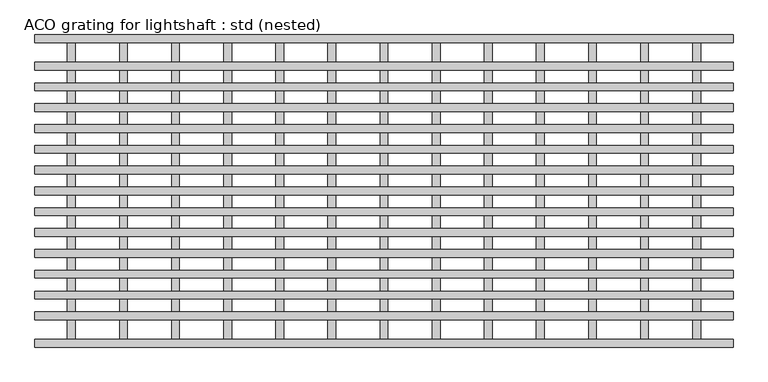
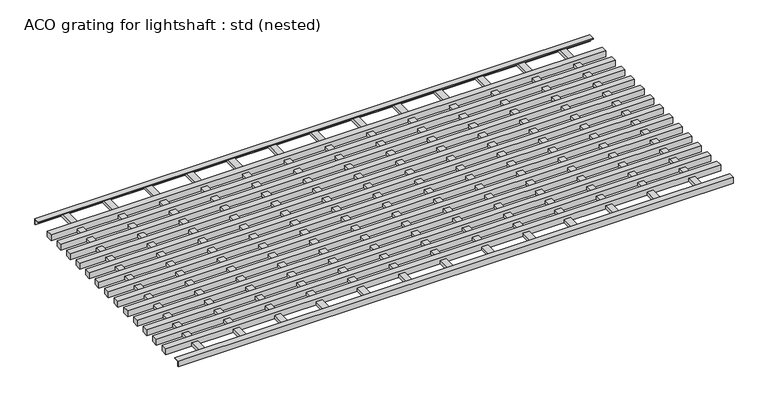
"""IFC4 building model written with IfcOpenShell, lengths in millimetres: sanitary terminal geometry, ACO grating for lightshaft : std (nested)."""

import ifcopenshell
import ifcopenshell.guid

model = None  # the IFC model being written
_history = None  # IfcOwnerHistory: only IFC2X3 demands one
_inside = {}  # id of a spatial element -> (the spatial element, [elements in it])
_under = {}  # id of a project, library or spatial element -> (it, [spatial elements below it])
_declared = {}  # id of a project -> (the project, [libraries it declares])
_typed = {}  # id of a type object -> (the type object, [elements of that type])
_made_of = {}  # id of a material, layer set ... -> (it, [elements and type objects made of it])


def new_model(schema):
    """Start an empty IFC model of exactly this schema.

    Asked for "IFC4X3", IfcOpenShell would pick the latest addendum, in which some entities
    have other attributes; the version numbers below select the first issue.
    IFC2X3 requires an IfcOwnerHistory on every rooted entity: one is made here for all.
    """
    global model, _history
    if schema == "IFC4X3":
        model = ifcopenshell.file(schema_version=(4, 3, 0, 0))
    else:
        model = ifcopenshell.file(schema=schema)
    _inside.clear()
    _under.clear()
    _declared.clear()
    _typed.clear()
    _made_of.clear()
    _history = None
    if model.schema == "IFC2X3":
        org = make("IfcOrganization", Name="unknown")
        user = make(
            "IfcPersonAndOrganization",
            ThePerson=make("IfcPerson", FamilyName="unknown"),
            TheOrganization=org,
        )
        app = make(
            "IfcApplication",
            ApplicationDeveloper=org,
            Version="unknown",
            ApplicationFullName="unknown",
            ApplicationIdentifier="unknown",
        )
        _history = make(
            "IfcOwnerHistory",
            OwningUser=user,
            OwningApplication=app,
            ChangeAction="ADDED",
            CreationDate=0,
        )
    return model


def make(cls, **values):
    """One entity of the class cls with the attributes given. An attribute that is None is left unset."""
    return model.create_entity(
        cls, **{name: value for name, value in values.items() if value is not None}
    )


def rooted(cls, **values):
    """An entity with a GlobalId (a new one), such as an element, a storey or a relation."""
    return make(cls, GlobalId=ifcopenshell.guid.new(), OwnerHistory=_history, **values)


def si_unit(unit_type, name, prefix=None):
    """IfcSIUnit, for example si_unit("LENGTHUNIT", "METRE", prefix="MILLI")."""
    return make("IfcSIUnit", UnitType=unit_type, Prefix=prefix, Name=name)


def assignment(units):
    """IfcUnitAssignment: the units of a project."""
    return None if units is None else make("IfcUnitAssignment", Units=units)


def point(xyz):
    """IfcCartesianPoint."""
    return None if xyz is None else make("IfcCartesianPoint", Coordinates=xyz)


def direction(xyz):
    """IfcDirection."""
    return None if xyz is None else make("IfcDirection", DirectionRatios=xyz)


def frame(location, z_axis=None, x_axis=None):
    """IfcAxis2Placement3D, a coordinate frame: its origin and axes. An axis left out is left unset."""
    return make(
        "IfcAxis2Placement3D",
        Location=point(location),
        Axis=direction(z_axis),
        RefDirection=direction(x_axis),
    )


def origin():
    """The frame at (0, 0, 0) with its axes left unset."""
    return frame((0.0, 0.0, 0.0))


def place(relative_to, where):
    """IfcLocalPlacement: puts the frame where relative to a parent placement (None: the world)."""
    return make(
        "IfcLocalPlacement", PlacementRelTo=relative_to, RelativePlacement=where
    )


def context(
    kind, dimensions, precision=None, world=None, true_north=None, identifier=None
):
    """IfcGeometricRepresentationContext, for example the 3D "Model" context."""
    return make(
        "IfcGeometricRepresentationContext",
        ContextIdentifier=identifier,
        ContextType=kind,
        CoordinateSpaceDimension=dimensions,
        Precision=precision,
        WorldCoordinateSystem=world,
        TrueNorth=true_north,
    )


def project(units=None, contexts=None):
    """IfcProject with its units and contexts."""
    return rooted(
        "IfcProject",
        Name="project",
        RepresentationContexts=contexts,
        UnitsInContext=assignment(units),
    )


def spatial(cls, under=None, at=None, **own):
    """A site, building, storey or space (cls), placed at a placement, below another one or the project."""
    s = rooted(cls, ObjectPlacement=at, **own)
    if under is not None:
        _under.setdefault(under.id(), (under, []))[1].append(s)
    return s


def polyline(points):
    """IfcPolyline through the points."""
    return make("IfcPolyline", Points=[point(p) for p in points])


def outline(outer, holes=None, kind="AREA"):
    """IfcArbitraryClosedProfileDef: a profile drawn as a closed curve; with holes, ...WithVoids."""
    if holes is None:
        return make("IfcArbitraryClosedProfileDef", ProfileType=kind, OuterCurve=outer)
    return make(
        "IfcArbitraryProfileDefWithVoids",
        ProfileType=kind,
        OuterCurve=outer,
        InnerCurves=holes,
    )


def extrude(swept, where, along, depth):
    """IfcExtrudedAreaSolid: the profile swept, set in the frame where, extruded along a direction by depth."""
    return make(
        "IfcExtrudedAreaSolid",
        SweptArea=swept,
        Position=where,
        ExtrudedDirection=direction(along),
        Depth=depth,
    )


def shape(context_of_items, identifier, shape_type, items):
    """IfcShapeRepresentation: the items that make up one representation, for example the "Body"."""
    return make(
        "IfcShapeRepresentation",
        ContextOfItems=context_of_items,
        RepresentationIdentifier=identifier,
        RepresentationType=shape_type,
        Items=items,
    )


def source(mapping_origin, context_of_items, identifier, shape_type, items):
    """IfcRepresentationMap: a shape defined once, which mapped items show again and again."""
    return make(
        "IfcRepresentationMap",
        MappingOrigin=mapping_origin,
        MappedRepresentation=shape(context_of_items, identifier, shape_type, items),
    )


def transform(
    local_origin,
    x_axis=None,
    y_axis=None,
    z_axis=None,
    scale=None,
    scale2=None,
    scale3=None,
    uniform=True,
):
    """IfcCartesianTransformationOperator3D, or its non-uniform kind. x_axis, y_axis, z_axis: its Axis1, 2, 3."""
    if uniform:
        return make(
            "IfcCartesianTransformationOperator3D",
            Axis1=direction(x_axis),
            Axis2=direction(y_axis),
            LocalOrigin=point(local_origin),
            Scale=scale,
            Axis3=direction(z_axis),
        )
    return make(
        "IfcCartesianTransformationOperator3DnonUniform",
        Axis1=direction(x_axis),
        Axis2=direction(y_axis),
        LocalOrigin=point(local_origin),
        Scale=scale,
        Axis3=direction(z_axis),
        Scale2=scale2,
        Scale3=scale3,
    )


def mapped(mapping_source, mapping_target):
    """IfcMappedItem: shows the shape of a source again, moved by a transform."""
    return make(
        "IfcMappedItem", MappingSource=mapping_source, MappingTarget=mapping_target
    )


def made_of(thing, what):
    """Note that an element or type object is made of a material, layer set ...; save() writes the relation."""
    if what is not None:
        _made_of.setdefault(what.id(), (what, []))[1].append(thing)
    return thing


def element(
    cls,
    number,
    at=None,
    inside=None,
    cuts=None,
    type_object=None,
    material=None,
    context=None,
    identifier="Body",
    shape_type=None,
    held_by="IfcProductDefinitionShape",
    body=None,
    shapes=None,
    **own,
):
    """One element of the class cls, such as IfcWall. Its Tag is "e" and its number.

    at: its placement. inside: the storey or other place that contains it. cuts: it is an
    opening in that element (IfcRelVoidsElement). A single representation is given by context,
    identifier, shape_type and body (its items); several are given by shapes. held_by: the class
    of the entity that holds the representations. save() writes the other relations.
    """
    e = rooted(cls, Tag="e%d" % number, ObjectPlacement=at, **own)
    if body is not None:
        shapes = [shape(context, identifier, shape_type, body)]
    if shapes is not None:
        e.Representation = make(held_by, Representations=shapes)
    if inside is not None:
        _inside.setdefault(inside.id(), (inside, []))[1].append(e)
    if cuts is not None:
        rooted(
            "IfcRelVoidsElement", RelatingBuildingElement=cuts, RelatedOpeningElement=e
        )
    if type_object is not None:
        _typed.setdefault(type_object.id(), (type_object, []))[1].append(e)
    return made_of(e, material)


def aggregate(whole, parts):
    """IfcRelAggregates: a whole, such as a stair, and the parts it consists of."""
    return rooted("IfcRelAggregates", RelatingObject=whole, RelatedObjects=parts)


def save(model, path):
    """Write the relations noted so far, then the file.

    IfcRelAggregates (storeys below a building ...), IfcRelContainedInSpatialStructure (elements
    in a storey), IfcRelDefinesByType, IfcRelAssociatesMaterial and IfcRelDeclares: one each for
    every whole, place, type object, material and project.
    """
    for whole, parts in _under.values():
        aggregate(whole, parts)
    for where, things in _inside.values():
        rooted(
            "IfcRelContainedInSpatialStructure",
            RelatedElements=things,
            RelatingStructure=where,
        )
    for kind, things in _typed.values():
        rooted("IfcRelDefinesByType", RelatedObjects=things, RelatingType=kind)
    for what, things in _made_of.values():
        rooted("IfcRelAssociatesMaterial", RelatedObjects=things, RelatingMaterial=what)
    for by, libraries in _declared.values():
        rooted("IfcRelDeclares", RelatingContext=by, RelatedDefinitions=libraries)
    model.write(path)


def aco_grating_for_lightshaft_std_nested_aed70a69(model_context):
    return source(origin(), model_context, "Body", "SweptSolid", [
        extrude(outline(polyline([(-607.5, -2.0), (-592.5, -2.0), (-592.5, -598.0), (-607.5, -598.0), (-607.5, -2.0)])), frame((0.0, 0.0, -15.0), z_axis=(0.0, 0.0, 1.0), x_axis=(1.0, 0.0, 0.0)), (0.0, 0.0, 1.0), 7.5),
        extrude(outline(polyline([(-507.5, -2.0), (-492.5, -2.0), (-492.5, -598.0), (-507.5, -598.0), (-507.5, -2.0)])), frame((0.0, 0.0, -15.0), z_axis=(0.0, 0.0, 1.0), x_axis=(1.0, 0.0, 0.0)), (0.0, 0.0, 1.0), 7.5),
        extrude(outline(polyline([(-407.5, -2.0), (-392.5, -2.0), (-392.5, -598.0), (-407.5, -598.0), (-407.5, -2.0)])), frame((0.0, 0.0, -15.0), z_axis=(0.0, 0.0, 1.0), x_axis=(1.0, 0.0, 0.0)), (0.0, 0.0, 1.0), 7.5),
        extrude(outline(polyline([(-307.5, -2.0), (-292.5, -2.0), (-292.5, -598.0), (-307.5, -598.0), (-307.5, -2.0)])), frame((0.0, 0.0, -15.0), z_axis=(0.0, 0.0, 1.0), x_axis=(1.0, 0.0, 0.0)), (0.0, 0.0, 1.0), 7.5),
        extrude(outline(polyline([(-207.5, -2.0), (-192.5, -2.0), (-192.5, -598.0), (-207.5, -598.0), (-207.5, -2.0)])), frame((0.0, 0.0, -15.0), z_axis=(0.0, 0.0, 1.0), x_axis=(1.0, 0.0, 0.0)), (0.0, 0.0, 1.0), 7.5),
        extrude(outline(polyline([(-107.5, -2.0), (-92.5, -2.0), (-92.5, -598.0), (-107.5, -598.0), (-107.5, -2.0)])), frame((0.0, 0.0, -15.0), z_axis=(0.0, 0.0, 1.0), x_axis=(1.0, 0.0, 0.0)), (0.0, 0.0, 1.0), 7.5),
        extrude(outline(polyline([(607.5, -2.0), (607.5, -598.0), (592.5, -598.0), (592.5, -2.0), (607.5, -2.0)])), frame((0.0, 0.0, -15.0), z_axis=(0.0, 0.0, 1.0), x_axis=(1.0, 0.0, 0.0)), (0.0, 0.0, 1.0), 7.5),
        extrude(outline(polyline([(507.5, -2.0), (507.5, -598.0), (492.5, -598.0), (492.5, -2.0), (507.5, -2.0)])), frame((0.0, 0.0, -15.0), z_axis=(0.0, 0.0, 1.0), x_axis=(1.0, 0.0, 0.0)), (0.0, 0.0, 1.0), 7.5),
        extrude(outline(polyline([(407.5, -2.0), (407.5, -598.0), (392.5, -598.0), (392.5, -2.0), (407.5, -2.0)])), frame((0.0, 0.0, -15.0), z_axis=(0.0, 0.0, 1.0), x_axis=(1.0, 0.0, 0.0)), (0.0, 0.0, 1.0), 7.5),
        extrude(outline(polyline([(307.5, -2.0), (307.5, -598.0), (292.5, -598.0), (292.5, -2.0), (307.5, -2.0)])), frame((0.0, 0.0, -15.0), z_axis=(0.0, 0.0, 1.0), x_axis=(1.0, 0.0, 0.0)), (0.0, 0.0, 1.0), 7.5),
        extrude(outline(polyline([(207.5, -2.0), (207.5, -598.0), (192.5, -598.0), (192.5, -2.0), (207.5, -2.0)])), frame((0.0, 0.0, -15.0), z_axis=(0.0, 0.0, 1.0), x_axis=(1.0, 0.0, 0.0)), (0.0, 0.0, 1.0), 7.5),
        extrude(outline(polyline([(107.5, -2.0), (107.5, -598.0), (92.5, -598.0), (92.5, -2.0), (107.5, -2.0)])), frame((0.0, 0.0, -15.0), z_axis=(0.0, 0.0, 1.0), x_axis=(1.0, 0.0, 0.0)), (0.0, 0.0, 1.0), 7.5),
        extrude(outline(polyline([(7.5, -2.0), (7.5, -598.0), (-7.5, -598.0), (-7.5, -2.0), (7.5, -2.0)])), frame((0.0, 0.0, -15.0), z_axis=(0.0, 0.0, 1.0), x_axis=(1.0, 0.0, 0.0)), (0.0, 0.0, 1.0), 7.5),
        extrude(outline(polyline([(670.0, -52.5), (670.0, -67.5), (-670.0, -67.5), (-670.0, -52.5), (670.0, -52.5)])), frame((0.0, 0.0, -15.0), z_axis=(0.0, 0.0, 1.0), x_axis=(1.0, 0.0, 0.0)), (0.0, 0.0, 1.0), 15.0),
        extrude(outline(polyline([(670.0, -547.5), (-670.0, -547.5), (-670.0, -532.5), (670.0, -532.5), (670.0, -547.5)])), frame((0.0, 0.0, -15.0), z_axis=(0.0, 0.0, 1.0), x_axis=(1.0, 0.0, 0.0)), (0.0, 0.0, 1.0), 15.0),
        extrude(outline(polyline([(670.0, -507.5), (-670.0, -507.5), (-670.0, -492.5), (670.0, -492.5), (670.0, -507.5)])), frame((0.0, 0.0, -15.0), z_axis=(0.0, 0.0, 1.0), x_axis=(1.0, 0.0, 0.0)), (0.0, 0.0, 1.0), 15.0),
        extrude(outline(polyline([(670.0, -467.5), (-670.0, -467.5), (-670.0, -452.5), (670.0, -452.5), (670.0, -467.5)])), frame((0.0, 0.0, -15.0), z_axis=(0.0, 0.0, 1.0), x_axis=(1.0, 0.0, 0.0)), (0.0, 0.0, 1.0), 15.0),
        extrude(outline(polyline([(670.0, -427.5), (-670.0, -427.5), (-670.0, -412.5), (670.0, -412.5), (670.0, -427.5)])), frame((0.0, 0.0, -15.0), z_axis=(0.0, 0.0, 1.0), x_axis=(1.0, 0.0, 0.0)), (0.0, 0.0, 1.0), 15.0),
        extrude(outline(polyline([(670.0, -387.5), (-670.0, -387.5), (-670.0, -372.5), (670.0, -372.5), (670.0, -387.5)])), frame((0.0, 0.0, -15.0), z_axis=(0.0, 0.0, 1.0), x_axis=(1.0, 0.0, 0.0)), (0.0, 0.0, 1.0), 15.0),
        extrude(outline(polyline([(670.0, -347.5), (-670.0, -347.5), (-670.0, -332.5), (670.0, -332.5), (670.0, -347.5)])), frame((0.0, 0.0, -15.0), z_axis=(0.0, 0.0, 1.0), x_axis=(1.0, 0.0, 0.0)), (0.0, 0.0, 1.0), 15.0),
        extrude(outline(polyline([(670.0, -92.5), (670.0, -107.5), (-670.0, -107.5), (-670.0, -92.5), (670.0, -92.5)])), frame((0.0, 0.0, -15.0), z_axis=(0.0, 0.0, 1.0), x_axis=(1.0, 0.0, 0.0)), (0.0, 0.0, 1.0), 15.0),
        extrude(outline(polyline([(670.0, -132.5), (670.0, -147.5), (-670.0, -147.5), (-670.0, -132.5), (670.0, -132.5)])), frame((0.0, 0.0, -15.0), z_axis=(0.0, 0.0, 1.0), x_axis=(1.0, 0.0, 0.0)), (0.0, 0.0, 1.0), 15.0),
        extrude(outline(polyline([(670.0, -172.5), (670.0, -187.5), (-670.0, -187.5), (-670.0, -172.5), (670.0, -172.5)])), frame((0.0, 0.0, -15.0), z_axis=(0.0, 0.0, 1.0), x_axis=(1.0, 0.0, 0.0)), (0.0, 0.0, 1.0), 15.0),
        extrude(outline(polyline([(670.0, -212.5), (670.0, -227.5), (-670.0, -227.5), (-670.0, -212.5), (670.0, -212.5)])), frame((0.0, 0.0, -15.0), z_axis=(0.0, 0.0, 1.0), x_axis=(1.0, 0.0, 0.0)), (0.0, 0.0, 1.0), 15.0),
        extrude(outline(polyline([(670.0, -252.5), (670.0, -267.5), (-670.0, -267.5), (-670.0, -252.5), (670.0, -252.5)])), frame((0.0, 0.0, -15.0), z_axis=(0.0, 0.0, 1.0), x_axis=(1.0, 0.0, 0.0)), (0.0, 0.0, 1.0), 15.0),
        extrude(outline(polyline([(670.0, -292.5), (670.0, -307.5), (-670.0, -307.5), (-670.0, -292.5), (670.0, -292.5)])), frame((0.0, 0.0, -15.0), z_axis=(0.0, 0.0, 1.0), x_axis=(1.0, 0.0, 0.0)), (0.0, 0.0, 1.0), 15.0),
        extrude(outline(polyline([(-585.0, 0.0), (-585.0, -2.0), (-598.0, -2.0), (-598.0, -15.0), (-600.0, -15.0), (-600.0, 0.0), (-585.0, 0.0)])), frame((-670.0, 0.0, 0.0), z_axis=(1.0, 0.0, 0.0), x_axis=(0.0, 1.0, 0.0)), (0.0, 0.0, 1.0), 1340.0),
        extrude(outline(polyline([(0.0, -15.0), (-2.0, -15.0), (-2.0, -2.0), (-15.0, -2.0), (-15.0, 0.0), (0.0, 0.0), (0.0, -15.0)])), frame((-670.0, 0.0, 0.0), z_axis=(1.0, 0.0, 0.0), x_axis=(0.0, 1.0, 0.0)), (0.0, 0.0, 1.0), 1340.0),
    ])


if __name__ == "__main__":
    model = new_model("IFC4")
    model_context = context("Model", 3, world=origin())
    ifc_project = project(units=[si_unit("LENGTHUNIT", "METRE", prefix="MILLI")], contexts=[model_context])
    site = spatial("IfcSite", under=ifc_project)
    building = spatial("IfcBuilding", under=site)
    placement = place(None, origin())
    aco_grating_for_lightshaft_std_nested_shape = aco_grating_for_lightshaft_std_nested_aed70a69(model_context)
    element("IfcSanitaryTerminal", 1, ObjectType="ACO grating for lightshaft : std (nested)", at=placement, inside=building, context=model_context, shape_type="MappedRepresentation", body=[
        mapped(aco_grating_for_lightshaft_std_nested_shape, transform((0.0, 0.0, 0.0), x_axis=(1.0, 0.0, 0.0), y_axis=(0.0, 1.0, 0.0), z_axis=(0.0, 0.0, 1.0))),
    ])
    save(model, "model.ifc")
